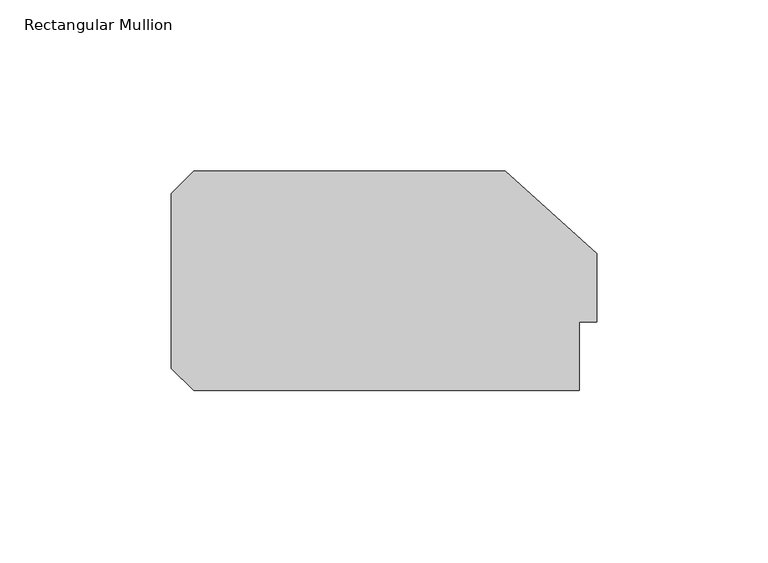
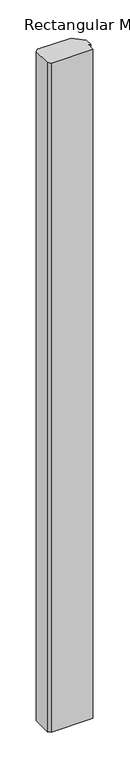
"""IFC4 building model written with IfcOpenShell, lengths in millimetres: member geometry, Rectangular Mullion."""

from ifc_helpers import new_model, si_unit, frame, origin, place, context, project, spatial, polyline, outline, extrude, source, transform, mapped, element, save


def rectangular_mullion_206bddc2(model_context):
    return source(origin(), model_context, "Body", "SweptSolid", [
        extrude(outline(polyline([(-5.0, 20.0), (-5.0, 0.0), (-117.5, 0.0), (-124.0, 6.5), (-124.0, 57.5), (-117.5, 64.0), (-26.6547004, 64.0), (0.0, 40.0), (0.0, 20.0), (-5.0, 20.0)])), frame((0.0, 0.0, -1900.0000001), z_axis=(0.0, 0.0, 1.0), x_axis=(1.0, 0.0, 0.0)), (0.0, 0.0, 1.0), 1900.0000001),
    ])


if __name__ == "__main__":
    model = new_model("IFC4")
    model_context = context("Model", 3, world=origin())
    ifc_project = project(units=[si_unit("LENGTHUNIT", "METRE", prefix="MILLI")], contexts=[model_context])
    site = spatial("IfcSite", under=ifc_project)
    building = spatial("IfcBuilding", under=site)
    placement = place(None, origin())
    rectangular_mullion_shape = rectangular_mullion_206bddc2(model_context)
    element("IfcMember", 1, ObjectType="Rectangular Mullion", at=placement, inside=building, context=model_context, shape_type="MappedRepresentation", body=[
        mapped(rectangular_mullion_shape, transform((0.0, 0.0, 0.0), x_axis=(1.0, 0.0, 0.0), y_axis=(0.0, 1.0, 0.0), z_axis=(0.0, 0.0, 1.0))),
    ])
    save(model, "model.ifc")
